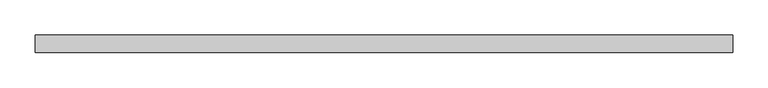
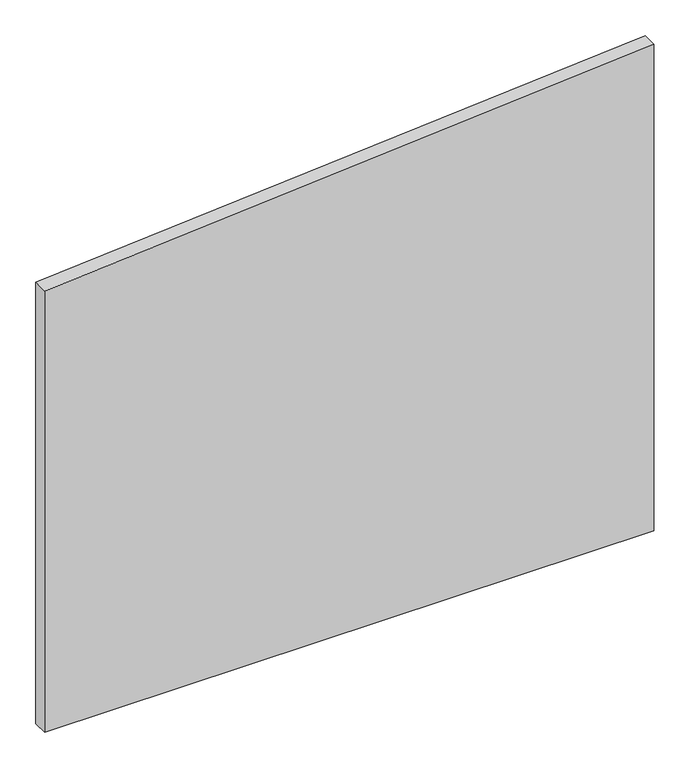
"""IFC4 building model written with IfcOpenShell, lengths in millimetres: plate geometry."""

from ifc_helpers import new_model, si_unit, frame, origin, place, context, project, spatial, polyline, outline, extrude, source, transform, mapped, element, save


def plate_56df9263(model_context):
    return source(origin(), model_context, "Body", "SweptSolid", [
        extrude(outline(polyline([(0.0, -493.8867244), (0.0, 493.8867244), (832.9087874, 493.8867244), (756.0218085, -493.8867244), (0.0, -493.8867244)])), frame((0.0, 24.5, 0.0), z_axis=(0.0, 1.0, 0.0), x_axis=(0.0, 0.0, 1.0)), (0.0, 0.0, 1.0), 25.0),
    ])


if __name__ == "__main__":
    model = new_model("IFC4")
    model_context = context("Model", 3, world=origin())
    ifc_project = project(units=[si_unit("LENGTHUNIT", "METRE", prefix="MILLI")], contexts=[model_context])
    site = spatial("IfcSite", under=ifc_project)
    building = spatial("IfcBuilding", under=site)
    placement = place(None, origin())
    plate_shape = plate_56df9263(model_context)
    element("IfcPlate", 1, at=placement, inside=building, context=model_context, shape_type="MappedRepresentation", body=[
        mapped(plate_shape, transform((0.0, 0.0, 0.0), x_axis=(1.0, 0.0, 0.0), y_axis=(0.0, 1.0, 0.0), z_axis=(0.0, 0.0, 1.0))),
    ])
    save(model, "model.ifc")
